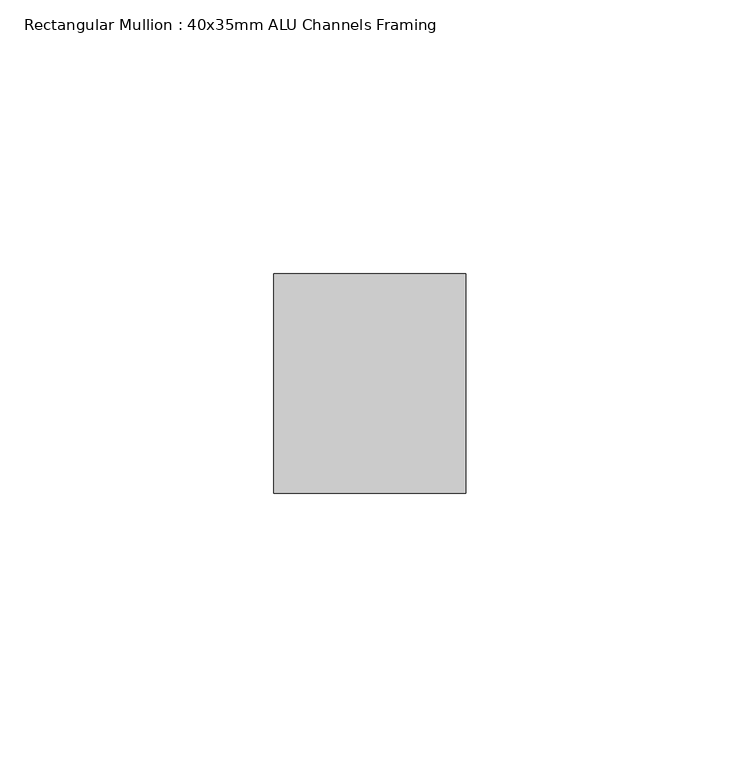
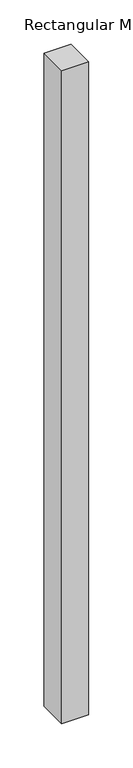
"""IFC4 building model written with IfcOpenShell, lengths in millimetres: member geometry, Rectangular Mullion : 40x35mm ALU Channels Framing."""

import ifcopenshell
import ifcopenshell.guid

model = None  # the IFC model being written
_history = None  # IfcOwnerHistory: only IFC2X3 demands one
_inside = {}  # id of a spatial element -> (the spatial element, [elements in it])
_under = {}  # id of a project, library or spatial element -> (it, [spatial elements below it])
_declared = {}  # id of a project -> (the project, [libraries it declares])
_typed = {}  # id of a type object -> (the type object, [elements of that type])
_made_of = {}  # id of a material, layer set ... -> (it, [elements and type objects made of it])


def new_model(schema):
    """Start an empty IFC model of exactly this schema.

    Asked for "IFC4X3", IfcOpenShell would pick the latest addendum, in which some entities
    have other attributes; the version numbers below select the first issue.
    IFC2X3 requires an IfcOwnerHistory on every rooted entity: one is made here for all.
    """
    global model, _history
    if schema == "IFC4X3":
        model = ifcopenshell.file(schema_version=(4, 3, 0, 0))
    else:
        model = ifcopenshell.file(schema=schema)
    _inside.clear()
    _under.clear()
    _declared.clear()
    _typed.clear()
    _made_of.clear()
    _history = None
    if model.schema == "IFC2X3":
        org = make("IfcOrganization", Name="unknown")
        user = make(
            "IfcPersonAndOrganization",
            ThePerson=make("IfcPerson", FamilyName="unknown"),
            TheOrganization=org,
        )
        app = make(
            "IfcApplication",
            ApplicationDeveloper=org,
            Version="unknown",
            ApplicationFullName="unknown",
            ApplicationIdentifier="unknown",
        )
        _history = make(
            "IfcOwnerHistory",
            OwningUser=user,
            OwningApplication=app,
            ChangeAction="ADDED",
            CreationDate=0,
        )
    return model


def make(cls, **values):
    """One entity of the class cls with the attributes given. An attribute that is None is left unset."""
    return model.create_entity(
        cls, **{name: value for name, value in values.items() if value is not None}
    )


def rooted(cls, **values):
    """An entity with a GlobalId (a new one), such as an element, a storey or a relation."""
    return make(cls, GlobalId=ifcopenshell.guid.new(), OwnerHistory=_history, **values)


def si_unit(unit_type, name, prefix=None):
    """IfcSIUnit, for example si_unit("LENGTHUNIT", "METRE", prefix="MILLI")."""
    return make("IfcSIUnit", UnitType=unit_type, Prefix=prefix, Name=name)


def assignment(units):
    """IfcUnitAssignment: the units of a project."""
    return None if units is None else make("IfcUnitAssignment", Units=units)


def point(xyz):
    """IfcCartesianPoint."""
    return None if xyz is None else make("IfcCartesianPoint", Coordinates=xyz)


def direction(xyz):
    """IfcDirection."""
    return None if xyz is None else make("IfcDirection", DirectionRatios=xyz)


def frame(location, z_axis=None, x_axis=None):
    """IfcAxis2Placement3D, a coordinate frame: its origin and axes. An axis left out is left unset."""
    return make(
        "IfcAxis2Placement3D",
        Location=point(location),
        Axis=direction(z_axis),
        RefDirection=direction(x_axis),
    )


def origin():
    """The frame at (0, 0, 0) with its axes left unset."""
    return frame((0.0, 0.0, 0.0))


def place(relative_to, where):
    """IfcLocalPlacement: puts the frame where relative to a parent placement (None: the world)."""
    return make(
        "IfcLocalPlacement", PlacementRelTo=relative_to, RelativePlacement=where
    )


def context(
    kind, dimensions, precision=None, world=None, true_north=None, identifier=None
):
    """IfcGeometricRepresentationContext, for example the 3D "Model" context."""
    return make(
        "IfcGeometricRepresentationContext",
        ContextIdentifier=identifier,
        ContextType=kind,
        CoordinateSpaceDimension=dimensions,
        Precision=precision,
        WorldCoordinateSystem=world,
        TrueNorth=true_north,
    )


def project(units=None, contexts=None):
    """IfcProject with its units and contexts."""
    return rooted(
        "IfcProject",
        Name="project",
        RepresentationContexts=contexts,
        UnitsInContext=assignment(units),
    )


def spatial(cls, under=None, at=None, **own):
    """A site, building, storey or space (cls), placed at a placement, below another one or the project."""
    s = rooted(cls, ObjectPlacement=at, **own)
    if under is not None:
        _under.setdefault(under.id(), (under, []))[1].append(s)
    return s


def polyline(points):
    """IfcPolyline through the points."""
    return make("IfcPolyline", Points=[point(p) for p in points])


def outline(outer, holes=None, kind="AREA"):
    """IfcArbitraryClosedProfileDef: a profile drawn as a closed curve; with holes, ...WithVoids."""
    if holes is None:
        return make("IfcArbitraryClosedProfileDef", ProfileType=kind, OuterCurve=outer)
    return make(
        "IfcArbitraryProfileDefWithVoids",
        ProfileType=kind,
        OuterCurve=outer,
        InnerCurves=holes,
    )


def extrude(swept, where, along, depth):
    """IfcExtrudedAreaSolid: the profile swept, set in the frame where, extruded along a direction by depth."""
    return make(
        "IfcExtrudedAreaSolid",
        SweptArea=swept,
        Position=where,
        ExtrudedDirection=direction(along),
        Depth=depth,
    )


def shape(context_of_items, identifier, shape_type, items):
    """IfcShapeRepresentation: the items that make up one representation, for example the "Body"."""
    return make(
        "IfcShapeRepresentation",
        ContextOfItems=context_of_items,
        RepresentationIdentifier=identifier,
        RepresentationType=shape_type,
        Items=items,
    )


def source(mapping_origin, context_of_items, identifier, shape_type, items):
    """IfcRepresentationMap: a shape defined once, which mapped items show again and again."""
    return make(
        "IfcRepresentationMap",
        MappingOrigin=mapping_origin,
        MappedRepresentation=shape(context_of_items, identifier, shape_type, items),
    )


def transform(
    local_origin,
    x_axis=None,
    y_axis=None,
    z_axis=None,
    scale=None,
    scale2=None,
    scale3=None,
    uniform=True,
):
    """IfcCartesianTransformationOperator3D, or its non-uniform kind. x_axis, y_axis, z_axis: its Axis1, 2, 3."""
    if uniform:
        return make(
            "IfcCartesianTransformationOperator3D",
            Axis1=direction(x_axis),
            Axis2=direction(y_axis),
            LocalOrigin=point(local_origin),
            Scale=scale,
            Axis3=direction(z_axis),
        )
    return make(
        "IfcCartesianTransformationOperator3DnonUniform",
        Axis1=direction(x_axis),
        Axis2=direction(y_axis),
        LocalOrigin=point(local_origin),
        Scale=scale,
        Axis3=direction(z_axis),
        Scale2=scale2,
        Scale3=scale3,
    )


def mapped(mapping_source, mapping_target):
    """IfcMappedItem: shows the shape of a source again, moved by a transform."""
    return make(
        "IfcMappedItem", MappingSource=mapping_source, MappingTarget=mapping_target
    )


def made_of(thing, what):
    """Note that an element or type object is made of a material, layer set ...; save() writes the relation."""
    if what is not None:
        _made_of.setdefault(what.id(), (what, []))[1].append(thing)
    return thing


def element(
    cls,
    number,
    at=None,
    inside=None,
    cuts=None,
    type_object=None,
    material=None,
    context=None,
    identifier="Body",
    shape_type=None,
    held_by="IfcProductDefinitionShape",
    body=None,
    shapes=None,
    **own,
):
    """One element of the class cls, such as IfcWall. Its Tag is "e" and its number.

    at: its placement. inside: the storey or other place that contains it. cuts: it is an
    opening in that element (IfcRelVoidsElement). A single representation is given by context,
    identifier, shape_type and body (its items); several are given by shapes. held_by: the class
    of the entity that holds the representations. save() writes the other relations.
    """
    e = rooted(cls, Tag="e%d" % number, ObjectPlacement=at, **own)
    if body is not None:
        shapes = [shape(context, identifier, shape_type, body)]
    if shapes is not None:
        e.Representation = make(held_by, Representations=shapes)
    if inside is not None:
        _inside.setdefault(inside.id(), (inside, []))[1].append(e)
    if cuts is not None:
        rooted(
            "IfcRelVoidsElement", RelatingBuildingElement=cuts, RelatedOpeningElement=e
        )
    if type_object is not None:
        _typed.setdefault(type_object.id(), (type_object, []))[1].append(e)
    return made_of(e, material)


def aggregate(whole, parts):
    """IfcRelAggregates: a whole, such as a stair, and the parts it consists of."""
    return rooted("IfcRelAggregates", RelatingObject=whole, RelatedObjects=parts)


def save(model, path):
    """Write the relations noted so far, then the file.

    IfcRelAggregates (storeys below a building ...), IfcRelContainedInSpatialStructure (elements
    in a storey), IfcRelDefinesByType, IfcRelAssociatesMaterial and IfcRelDeclares: one each for
    every whole, place, type object, material and project.
    """
    for whole, parts in _under.values():
        aggregate(whole, parts)
    for where, things in _inside.values():
        rooted(
            "IfcRelContainedInSpatialStructure",
            RelatedElements=things,
            RelatingStructure=where,
        )
    for kind, things in _typed.values():
        rooted("IfcRelDefinesByType", RelatedObjects=things, RelatingType=kind)
    for what, things in _made_of.values():
        rooted("IfcRelAssociatesMaterial", RelatedObjects=things, RelatingMaterial=what)
    for by, libraries in _declared.values():
        rooted("IfcRelDeclares", RelatingContext=by, RelatedDefinitions=libraries)
    model.write(path)


def rectangular_mullion_40x35mm_alu_channels_framing_a321524a(model_context):
    return source(origin(), model_context, "Body", "SweptSolid", [
        extrude(outline(polyline([(0.0, 20.0), (0.0, -20.0), (-35.0, -20.0), (-35.0, 20.0), (0.0, 20.0)])), frame((0.0, 0.0, -900.0), z_axis=(0.0, 0.0, 1.0), x_axis=(1.0, 0.0, 0.0)), (0.0, 0.0, 1.0), 900.0),
    ])


if __name__ == "__main__":
    model = new_model("IFC4")
    model_context = context("Model", 3, world=origin())
    ifc_project = project(units=[si_unit("LENGTHUNIT", "METRE", prefix="MILLI")], contexts=[model_context])
    site = spatial("IfcSite", under=ifc_project)
    building = spatial("IfcBuilding", under=site)
    placement = place(None, origin())
    rectangular_mullion_40x35mm_alu_channels_framing_shape = rectangular_mullion_40x35mm_alu_channels_framing_a321524a(model_context)
    element("IfcMember", 1, ObjectType="Rectangular Mullion : 40x35mm ALU Channels Framing", at=placement, inside=building, context=model_context, shape_type="MappedRepresentation", body=[
        mapped(rectangular_mullion_40x35mm_alu_channels_framing_shape, transform((0.0, 0.0, 0.0), x_axis=(1.0, 0.0, 0.0), y_axis=(0.0, 1.0, 0.0), z_axis=(0.0, 0.0, 1.0))),
    ])
    save(model, "model.ifc")
